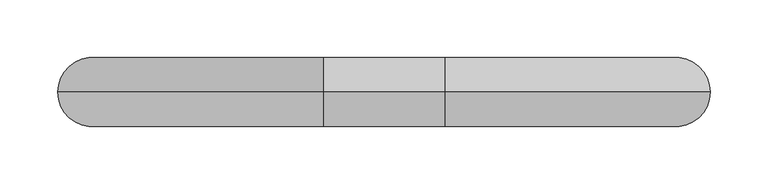
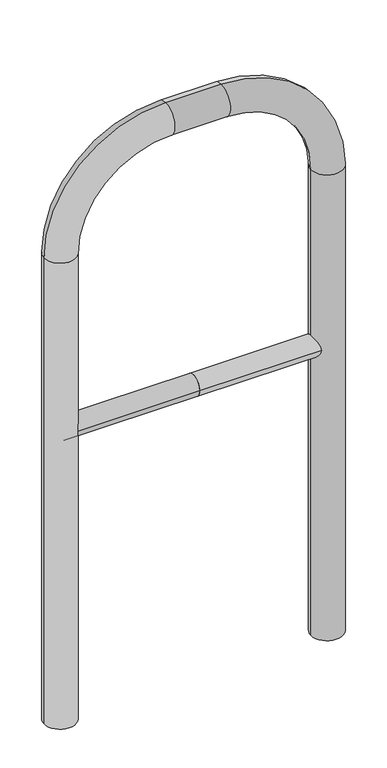
"""IFC4 building model written with IfcOpenShell, lengths in millimetres: proxy geometry."""

from ifc_helpers import new_model, si_unit, point, frame, frame_2d, origin, place, context, project, spatial, circle_curve, ellipse_curve, trimmed, segment, composite_curve, outline, extrude, source, transform, mapped, element, save
from ifc_brep_helpers import plane_surface, cylinder_surface, revolved_surface, advanced_brep


def generic_models_17cefcfe(model_context):
    return source(origin(), model_context, "Body", "SolidModel", [
        extrude(outline(composite_curve([segment(trimmed(circle_curve(frame_2d((0.0, 498.4778375)), 20.0), [point((-20.0, 498.4778375))], [point((20.0, 498.4778375))], False, "CARTESIAN"), True, "CONTINUOUS"), segment(trimmed(circle_curve(frame_2d((0.0, 498.4778375)), 20.0), [point((20.0, 498.4778375))], [point((-20.0, 498.4778375))], False, "CARTESIAN"), True, "CONTINUOUS")], self_intersect=False)), frame((-252.4579295, 0.0, 0.0), z_axis=(1.0, 0.0, 0.0), x_axis=(0.0, 1.0, 0.0)), (0.0, 0.0, 1.0), 252.4579295),
        extrude(outline(composite_curve([segment(trimmed(circle_curve(frame_2d((0.0, 498.4778375)), 20.0), [point((-20.0, 498.4778375))], [point((20.0, 498.4778375))], False, "CARTESIAN"), True, "CONTINUOUS"), segment(trimmed(circle_curve(frame_2d((0.0, 498.4778375)), 20.0), [point((20.0, 498.4778375))], [point((-20.0, 498.4778375))], False, "CARTESIAN"), True, "CONTINUOUS")], self_intersect=False)), frame((0.0, 0.0, 0.0), z_axis=(1.0, 0.0, 0.0), x_axis=(0.0, 1.0, 0.0)), (0.0, 0.0, 1.0), 252.4579295),
        advanced_brep(
        [(-222.4579295, 0.0, -80.0), (-282.4579295, 0.0, -80.0), (-222.4579295, 0.0, 850.0), (-282.4579295, 0.0, 850.0), (-52.4579295, 0.0, 1080.0), (-52.4579295, 0.0, 1020.0), (52.4579295, 0.0, 1020.0), (52.4579295, 0.0, 1080.0), (282.4579295, 0.0, 850.0), (222.4579295, 0.0, 850.0), (222.4579295, 0.0, -80.0), (282.4579295, 0.0, -80.0)],
        [
            (0, 1, circle_curve(frame((-252.4579295, 0.0, -80.0), z_axis=(0.0, 0.0, -1.0), x_axis=(-1.0, 0.0, 0.0)), 30.0)),
            (1, 0, circle_curve(frame((-252.4579295, 0.0, -80.0), z_axis=(0.0, 0.0, -1.0), x_axis=(-1.0, 0.0, 0.0)), 30.0)),
            (0, 2),
            (2, 3, circle_curve(frame((-252.4579295, 0.0, 850.0), z_axis=(0.0, 0.0, -1.0), x_axis=(-1.0, 0.0, 0.0)), 30.0)),
            (3, 1),
            (3, 2, circle_curve(frame((-252.4579295, 0.0, 850.0), z_axis=(0.0, 0.0, -1.0), x_axis=(-1.0, 0.0, 0.0)), 30.0)),
            (4, 3, circle_curve(frame((-52.4579295, 0.0, 850.0), z_axis=(0.0, -1.0, 0.0), x_axis=(-1.0, 0.0, 0.0)), 230.0)),
            (2, 5, circle_curve(frame((-52.4579295, 0.0, 850.0), z_axis=(0.0, 1.0, 0.0), x_axis=(-1.0, 0.0, 0.0)), 170.0)),
            (5, 4, circle_curve(frame((-52.4579295, 0.0, 1050.0), z_axis=(-1.0, 0.0, 0.0), x_axis=(0.0, 0.0, 1.0)), 30.0)),
            (4, 5, circle_curve(frame((-52.4579295, 0.0, 1050.0), z_axis=(-1.0, 0.0, 0.0), x_axis=(0.0, 0.0, 1.0)), 30.0)),
            (5, 6),
            (6, 7, circle_curve(frame((52.4579295, 0.0, 1050.0), z_axis=(-1.0, 0.0, 0.0), x_axis=(0.0, 0.0, 1.0)), 30.0)),
            (7, 4),
            (7, 6, circle_curve(frame((52.4579295, 0.0, 1050.0), z_axis=(-1.0, 0.0, 0.0), x_axis=(0.0, 0.0, 1.0)), 30.0)),
            (8, 7, circle_curve(frame((52.4579295, 0.0, 850.0), z_axis=(0.0, -1.0, 0.0), x_axis=(0.0, 0.0, 1.0)), 230.0)),
            (6, 9, circle_curve(frame((52.4579295, 0.0, 850.0), z_axis=(0.0, 1.0, 0.0), x_axis=(0.0, 0.0, 1.0)), 170.0)),
            (9, 8, circle_curve(frame((252.4579295, 0.0, 850.0), z_axis=(0.0, 0.0, 1.0), x_axis=(1.0, 0.0, 0.0)), 30.0)),
            (8, 9, circle_curve(frame((252.4579295, 0.0, 850.0), z_axis=(0.0, 0.0, 1.0), x_axis=(1.0, 0.0, 0.0)), 30.0)),
            (10, 11, circle_curve(frame((252.4579295, 0.0, -80.0), z_axis=(0.0, 0.0, -1.0), x_axis=(1.0, 0.0, 0.0)), 30.0)),
            (11, 10, circle_curve(frame((252.4579295, 0.0, -80.0), z_axis=(0.0, 0.0, -1.0), x_axis=(1.0, 0.0, 0.0)), 30.0)),
            (9, 10),
            (11, 8),
        ],
        [
            plane_surface(frame((-252.4579295, 0.0, -80.0), z_axis=(0.0, 0.0, -1.0), x_axis=(0.0, -1.0, 0.0))),
            cylinder_surface(frame((-252.4579295, 0.0, -80.0), z_axis=(0.0, 0.0, -1.0), x_axis=(-1.0, 0.0, 0.0)), 30.0),
            revolved_surface(trimmed(ellipse_curve(frame((-252.4579295, 0.0, 850.0), z_axis=(0.0, 0.0, -1.0), x_axis=(-1.0, 0.0, 0.0)), 30.0, 30.0), [point((-222.4579295, 0.0, 850.0))], [point((-282.4579295, 0.0, 850.0))], True, "CARTESIAN"), (-52.4579295, 0.0, 850.0), (0.0, 1.0, 0.0)),
            revolved_surface(trimmed(ellipse_curve(frame((-252.4579295, 0.0, 850.0), z_axis=(0.0, 0.0, -1.0), x_axis=(-1.0, 0.0, 0.0)), 30.0, 30.0), [point((-282.4579295, 0.0, 850.0))], [point((-222.4579295, 0.0, 850.0))], True, "CARTESIAN"), (-52.4579295, 0.0, 850.0), (0.0, 1.0, 0.0)),
            cylinder_surface(frame((-52.4579295, 0.0, 1050.0), z_axis=(-1.0, 0.0, 0.0), x_axis=(0.0, 0.0, 1.0)), 30.0),
            revolved_surface(trimmed(ellipse_curve(frame((52.4579295, 0.0, 1050.0), z_axis=(-1.0, 0.0, 0.0), x_axis=(0.0, 0.0, 1.0)), 30.0, 30.0), [point((52.4579295, 0.0, 1020.0))], [point((52.4579295, 0.0, 1080.0))], True, "CARTESIAN"), (52.4579295, 0.0, 850.0), (0.0, 1.0, 0.0)),
            revolved_surface(trimmed(ellipse_curve(frame((52.4579295, 0.0, 1050.0), z_axis=(-1.0, 0.0, 0.0), x_axis=(0.0, 0.0, 1.0)), 30.0, 30.0), [point((52.4579295, 0.0, 1080.0))], [point((52.4579295, 0.0, 1020.0))], True, "CARTESIAN"), (52.4579295, 0.0, 850.0), (0.0, 1.0, 0.0)),
            plane_surface(frame((252.4579295, 0.0, -80.0), z_axis=(0.0, 0.0, -1.0), x_axis=(0.0, -1.0, 0.0))),
            cylinder_surface(frame((252.4579295, 0.0, 850.0), z_axis=(0.0, 0.0, 1.0), x_axis=(1.0, 0.0, 0.0)), 30.0),
        ],
        [
            (0, [[1, 2]]),
            (1, [[-1, 3, 4, 5]]),
            (1, [[-2, -5, 6, -3]]),
            (2, [[7, -4, 8, 9]]),
            (3, [[-8, -6, -7, 10]]),
            (4, [[-9, 11, 12, 13]]),
            (4, [[-10, -13, 14, -11]]),
            (5, [[15, -12, 16, 17]]),
            (6, [[-16, -14, -15, 18]]),
            (7, [[19, 20]]),
            (8, [[-17, 21, -20, 22]]),
            (8, [[-18, -22, -19, -21]]),
        ],
    ),
    ])


if __name__ == "__main__":
    model = new_model("IFC4")
    model_context = context("Model", 3, world=origin())
    ifc_project = project(units=[si_unit("LENGTHUNIT", "METRE", prefix="MILLI")], contexts=[model_context])
    site = spatial("IfcSite", under=ifc_project)
    building = spatial("IfcBuilding", under=site)
    placement = place(None, origin())
    generic_models_shape = generic_models_17cefcfe(model_context)
    element("IfcBuildingElementProxy", 1, Name="Generic Models", at=placement, inside=building, context=model_context, shape_type="MappedRepresentation", body=[
        mapped(generic_models_shape, transform((0.0, 0.0, 0.0), x_axis=(1.0, 0.0, 0.0), y_axis=(0.0, 1.0, 0.0), z_axis=(0.0, 0.0, 1.0))),
    ])
    save(model, "model.ifc")
